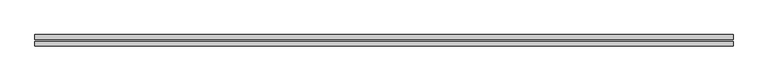
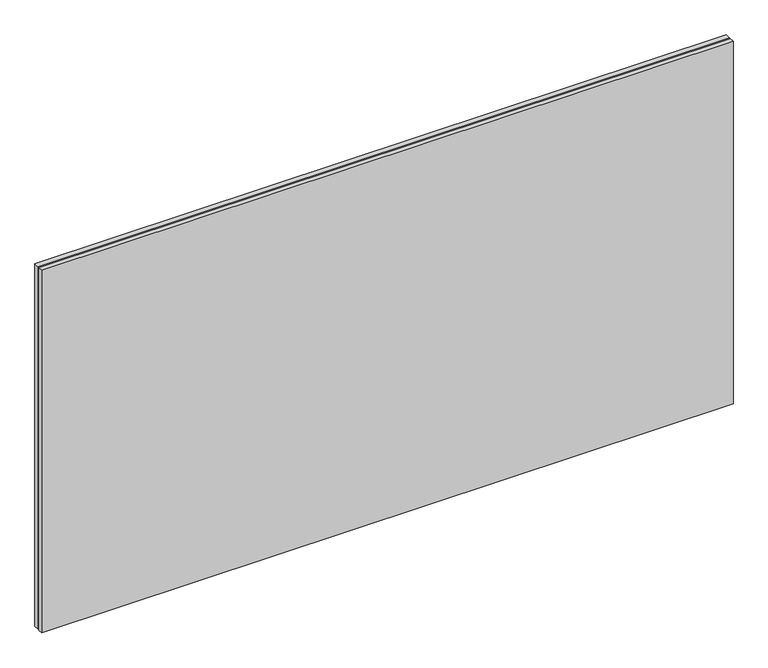
"""IFC4 building model written with IfcOpenShell, lengths in millimetres: plate geometry."""

import ifcopenshell
import ifcopenshell.guid

model = None  # the IFC model being written
_history = None  # IfcOwnerHistory: only IFC2X3 demands one
_inside = {}  # id of a spatial element -> (the spatial element, [elements in it])
_under = {}  # id of a project, library or spatial element -> (it, [spatial elements below it])
_declared = {}  # id of a project -> (the project, [libraries it declares])
_typed = {}  # id of a type object -> (the type object, [elements of that type])
_made_of = {}  # id of a material, layer set ... -> (it, [elements and type objects made of it])


def new_model(schema):
    """Start an empty IFC model of exactly this schema.

    Asked for "IFC4X3", IfcOpenShell would pick the latest addendum, in which some entities
    have other attributes; the version numbers below select the first issue.
    IFC2X3 requires an IfcOwnerHistory on every rooted entity: one is made here for all.
    """
    global model, _history
    if schema == "IFC4X3":
        model = ifcopenshell.file(schema_version=(4, 3, 0, 0))
    else:
        model = ifcopenshell.file(schema=schema)
    _inside.clear()
    _under.clear()
    _declared.clear()
    _typed.clear()
    _made_of.clear()
    _history = None
    if model.schema == "IFC2X3":
        org = make("IfcOrganization", Name="unknown")
        user = make(
            "IfcPersonAndOrganization",
            ThePerson=make("IfcPerson", FamilyName="unknown"),
            TheOrganization=org,
        )
        app = make(
            "IfcApplication",
            ApplicationDeveloper=org,
            Version="unknown",
            ApplicationFullName="unknown",
            ApplicationIdentifier="unknown",
        )
        _history = make(
            "IfcOwnerHistory",
            OwningUser=user,
            OwningApplication=app,
            ChangeAction="ADDED",
            CreationDate=0,
        )
    return model


def make(cls, **values):
    """One entity of the class cls with the attributes given. An attribute that is None is left unset."""
    return model.create_entity(
        cls, **{name: value for name, value in values.items() if value is not None}
    )


def rooted(cls, **values):
    """An entity with a GlobalId (a new one), such as an element, a storey or a relation."""
    return make(cls, GlobalId=ifcopenshell.guid.new(), OwnerHistory=_history, **values)


def si_unit(unit_type, name, prefix=None):
    """IfcSIUnit, for example si_unit("LENGTHUNIT", "METRE", prefix="MILLI")."""
    return make("IfcSIUnit", UnitType=unit_type, Prefix=prefix, Name=name)


def assignment(units):
    """IfcUnitAssignment: the units of a project."""
    return None if units is None else make("IfcUnitAssignment", Units=units)


def point(xyz):
    """IfcCartesianPoint."""
    return None if xyz is None else make("IfcCartesianPoint", Coordinates=xyz)


def direction(xyz):
    """IfcDirection."""
    return None if xyz is None else make("IfcDirection", DirectionRatios=xyz)


def frame(location, z_axis=None, x_axis=None):
    """IfcAxis2Placement3D, a coordinate frame: its origin and axes. An axis left out is left unset."""
    return make(
        "IfcAxis2Placement3D",
        Location=point(location),
        Axis=direction(z_axis),
        RefDirection=direction(x_axis),
    )


def origin():
    """The frame at (0, 0, 0) with its axes left unset."""
    return frame((0.0, 0.0, 0.0))


def origin_with_axes():
    """The frame at (0, 0, 0) with the z axis (0, 0, 1) and the x axis (1, 0, 0) written out."""
    return frame((0.0, 0.0, 0.0), z_axis=(0.0, 0.0, 1.0), x_axis=(1.0, 0.0, 0.0))


def place(relative_to, where):
    """IfcLocalPlacement: puts the frame where relative to a parent placement (None: the world)."""
    return make(
        "IfcLocalPlacement", PlacementRelTo=relative_to, RelativePlacement=where
    )


def context(
    kind, dimensions, precision=None, world=None, true_north=None, identifier=None
):
    """IfcGeometricRepresentationContext, for example the 3D "Model" context."""
    return make(
        "IfcGeometricRepresentationContext",
        ContextIdentifier=identifier,
        ContextType=kind,
        CoordinateSpaceDimension=dimensions,
        Precision=precision,
        WorldCoordinateSystem=world,
        TrueNorth=true_north,
    )


def project(units=None, contexts=None):
    """IfcProject with its units and contexts."""
    return rooted(
        "IfcProject",
        Name="project",
        RepresentationContexts=contexts,
        UnitsInContext=assignment(units),
    )


def spatial(cls, under=None, at=None, **own):
    """A site, building, storey or space (cls), placed at a placement, below another one or the project."""
    s = rooted(cls, ObjectPlacement=at, **own)
    if under is not None:
        _under.setdefault(under.id(), (under, []))[1].append(s)
    return s


def polyline(points):
    """IfcPolyline through the points."""
    return make("IfcPolyline", Points=[point(p) for p in points])


def outline(outer, holes=None, kind="AREA"):
    """IfcArbitraryClosedProfileDef: a profile drawn as a closed curve; with holes, ...WithVoids."""
    if holes is None:
        return make("IfcArbitraryClosedProfileDef", ProfileType=kind, OuterCurve=outer)
    return make(
        "IfcArbitraryProfileDefWithVoids",
        ProfileType=kind,
        OuterCurve=outer,
        InnerCurves=holes,
    )


def extrude(swept, where, along, depth):
    """IfcExtrudedAreaSolid: the profile swept, set in the frame where, extruded along a direction by depth."""
    return make(
        "IfcExtrudedAreaSolid",
        SweptArea=swept,
        Position=where,
        ExtrudedDirection=direction(along),
        Depth=depth,
    )


def shape(context_of_items, identifier, shape_type, items):
    """IfcShapeRepresentation: the items that make up one representation, for example the "Body"."""
    return make(
        "IfcShapeRepresentation",
        ContextOfItems=context_of_items,
        RepresentationIdentifier=identifier,
        RepresentationType=shape_type,
        Items=items,
    )


def source(mapping_origin, context_of_items, identifier, shape_type, items):
    """IfcRepresentationMap: a shape defined once, which mapped items show again and again."""
    return make(
        "IfcRepresentationMap",
        MappingOrigin=mapping_origin,
        MappedRepresentation=shape(context_of_items, identifier, shape_type, items),
    )


def transform(
    local_origin,
    x_axis=None,
    y_axis=None,
    z_axis=None,
    scale=None,
    scale2=None,
    scale3=None,
    uniform=True,
):
    """IfcCartesianTransformationOperator3D, or its non-uniform kind. x_axis, y_axis, z_axis: its Axis1, 2, 3."""
    if uniform:
        return make(
            "IfcCartesianTransformationOperator3D",
            Axis1=direction(x_axis),
            Axis2=direction(y_axis),
            LocalOrigin=point(local_origin),
            Scale=scale,
            Axis3=direction(z_axis),
        )
    return make(
        "IfcCartesianTransformationOperator3DnonUniform",
        Axis1=direction(x_axis),
        Axis2=direction(y_axis),
        LocalOrigin=point(local_origin),
        Scale=scale,
        Axis3=direction(z_axis),
        Scale2=scale2,
        Scale3=scale3,
    )


def mapped(mapping_source, mapping_target):
    """IfcMappedItem: shows the shape of a source again, moved by a transform."""
    return make(
        "IfcMappedItem", MappingSource=mapping_source, MappingTarget=mapping_target
    )


def made_of(thing, what):
    """Note that an element or type object is made of a material, layer set ...; save() writes the relation."""
    if what is not None:
        _made_of.setdefault(what.id(), (what, []))[1].append(thing)
    return thing


def element(
    cls,
    number,
    at=None,
    inside=None,
    cuts=None,
    type_object=None,
    material=None,
    context=None,
    identifier="Body",
    shape_type=None,
    held_by="IfcProductDefinitionShape",
    body=None,
    shapes=None,
    **own,
):
    """One element of the class cls, such as IfcWall. Its Tag is "e" and its number.

    at: its placement. inside: the storey or other place that contains it. cuts: it is an
    opening in that element (IfcRelVoidsElement). A single representation is given by context,
    identifier, shape_type and body (its items); several are given by shapes. held_by: the class
    of the entity that holds the representations. save() writes the other relations.
    """
    e = rooted(cls, Tag="e%d" % number, ObjectPlacement=at, **own)
    if body is not None:
        shapes = [shape(context, identifier, shape_type, body)]
    if shapes is not None:
        e.Representation = make(held_by, Representations=shapes)
    if inside is not None:
        _inside.setdefault(inside.id(), (inside, []))[1].append(e)
    if cuts is not None:
        rooted(
            "IfcRelVoidsElement", RelatingBuildingElement=cuts, RelatedOpeningElement=e
        )
    if type_object is not None:
        _typed.setdefault(type_object.id(), (type_object, []))[1].append(e)
    return made_of(e, material)


def aggregate(whole, parts):
    """IfcRelAggregates: a whole, such as a stair, and the parts it consists of."""
    return rooted("IfcRelAggregates", RelatingObject=whole, RelatedObjects=parts)


def save(model, path):
    """Write the relations noted so far, then the file.

    IfcRelAggregates (storeys below a building ...), IfcRelContainedInSpatialStructure (elements
    in a storey), IfcRelDefinesByType, IfcRelAssociatesMaterial and IfcRelDeclares: one each for
    every whole, place, type object, material and project.
    """
    for whole, parts in _under.values():
        aggregate(whole, parts)
    for where, things in _inside.values():
        rooted(
            "IfcRelContainedInSpatialStructure",
            RelatedElements=things,
            RelatingStructure=where,
        )
    for kind, things in _typed.values():
        rooted("IfcRelDefinesByType", RelatedObjects=things, RelatingType=kind)
    for what, things in _made_of.values():
        rooted("IfcRelAssociatesMaterial", RelatedObjects=things, RelatingMaterial=what)
    for by, libraries in _declared.values():
        rooted("IfcRelDeclares", RelatingContext=by, RelatedDefinitions=libraries)
    model.write(path)


def plate_ee704872(model_context):
    return source(origin(), model_context, "Body", "SweptSolid", [
        extrude(outline(polyline([(605.0, -10.0), (-605.0, -10.0), (-605.0, -2.0), (605.0, -2.0), (605.0, -10.0)])), origin_with_axes(), (0.0, 0.0, 1.0), 670.0),
        extrude(outline(polyline([(605.0, 2.0), (-605.0, 2.0), (-605.0, 10.0), (605.0, 10.0), (605.0, 2.0)])), origin_with_axes(), (0.0, 0.0, 1.0), 670.0),
    ])


if __name__ == "__main__":
    model = new_model("IFC4")
    model_context = context("Model", 3, world=origin())
    ifc_project = project(units=[si_unit("LENGTHUNIT", "METRE", prefix="MILLI")], contexts=[model_context])
    site = spatial("IfcSite", under=ifc_project)
    building = spatial("IfcBuilding", under=site)
    placement = place(None, origin())
    plate_shape = plate_ee704872(model_context)
    element("IfcPlate", 1, at=placement, inside=building, context=model_context, shape_type="MappedRepresentation", body=[
        mapped(plate_shape, transform((0.0, 0.0, 0.0), x_axis=(1.0, 0.0, 0.0), y_axis=(0.0, 1.0, 0.0), z_axis=(0.0, 0.0, 1.0))),
    ])
    save(model, "model.ifc")
